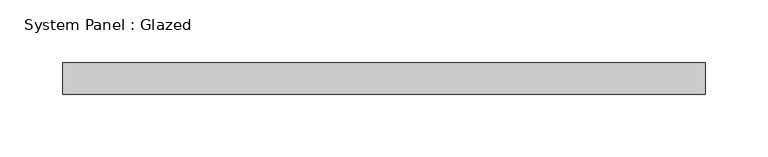
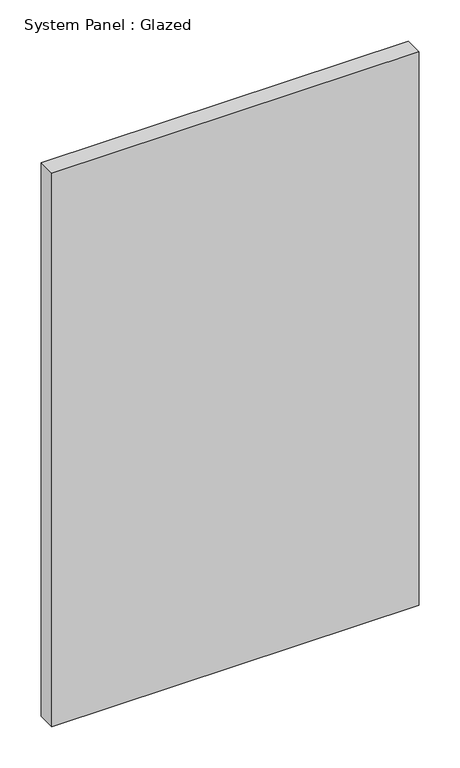
"""IFC4 building model written with IfcOpenShell, lengths in millimetres: plate geometry, System Panel : Glazed."""

import ifcopenshell
import ifcopenshell.guid

model = None  # the IFC model being written
_history = None  # IfcOwnerHistory: only IFC2X3 demands one
_inside = {}  # id of a spatial element -> (the spatial element, [elements in it])
_under = {}  # id of a project, library or spatial element -> (it, [spatial elements below it])
_declared = {}  # id of a project -> (the project, [libraries it declares])
_typed = {}  # id of a type object -> (the type object, [elements of that type])
_made_of = {}  # id of a material, layer set ... -> (it, [elements and type objects made of it])


def new_model(schema):
    """Start an empty IFC model of exactly this schema.

    Asked for "IFC4X3", IfcOpenShell would pick the latest addendum, in which some entities
    have other attributes; the version numbers below select the first issue.
    IFC2X3 requires an IfcOwnerHistory on every rooted entity: one is made here for all.
    """
    global model, _history
    if schema == "IFC4X3":
        model = ifcopenshell.file(schema_version=(4, 3, 0, 0))
    else:
        model = ifcopenshell.file(schema=schema)
    _inside.clear()
    _under.clear()
    _declared.clear()
    _typed.clear()
    _made_of.clear()
    _history = None
    if model.schema == "IFC2X3":
        org = make("IfcOrganization", Name="unknown")
        user = make(
            "IfcPersonAndOrganization",
            ThePerson=make("IfcPerson", FamilyName="unknown"),
            TheOrganization=org,
        )
        app = make(
            "IfcApplication",
            ApplicationDeveloper=org,
            Version="unknown",
            ApplicationFullName="unknown",
            ApplicationIdentifier="unknown",
        )
        _history = make(
            "IfcOwnerHistory",
            OwningUser=user,
            OwningApplication=app,
            ChangeAction="ADDED",
            CreationDate=0,
        )
    return model


def make(cls, **values):
    """One entity of the class cls with the attributes given. An attribute that is None is left unset."""
    return model.create_entity(
        cls, **{name: value for name, value in values.items() if value is not None}
    )


def rooted(cls, **values):
    """An entity with a GlobalId (a new one), such as an element, a storey or a relation."""
    return make(cls, GlobalId=ifcopenshell.guid.new(), OwnerHistory=_history, **values)


def si_unit(unit_type, name, prefix=None):
    """IfcSIUnit, for example si_unit("LENGTHUNIT", "METRE", prefix="MILLI")."""
    return make("IfcSIUnit", UnitType=unit_type, Prefix=prefix, Name=name)


def assignment(units):
    """IfcUnitAssignment: the units of a project."""
    return None if units is None else make("IfcUnitAssignment", Units=units)


def point(xyz):
    """IfcCartesianPoint."""
    return None if xyz is None else make("IfcCartesianPoint", Coordinates=xyz)


def direction(xyz):
    """IfcDirection."""
    return None if xyz is None else make("IfcDirection", DirectionRatios=xyz)


def frame(location, z_axis=None, x_axis=None):
    """IfcAxis2Placement3D, a coordinate frame: its origin and axes. An axis left out is left unset."""
    return make(
        "IfcAxis2Placement3D",
        Location=point(location),
        Axis=direction(z_axis),
        RefDirection=direction(x_axis),
    )


def origin():
    """The frame at (0, 0, 0) with its axes left unset."""
    return frame((0.0, 0.0, 0.0))


def origin_with_axes():
    """The frame at (0, 0, 0) with the z axis (0, 0, 1) and the x axis (1, 0, 0) written out."""
    return frame((0.0, 0.0, 0.0), z_axis=(0.0, 0.0, 1.0), x_axis=(1.0, 0.0, 0.0))


def place(relative_to, where):
    """IfcLocalPlacement: puts the frame where relative to a parent placement (None: the world)."""
    return make(
        "IfcLocalPlacement", PlacementRelTo=relative_to, RelativePlacement=where
    )


def context(
    kind, dimensions, precision=None, world=None, true_north=None, identifier=None
):
    """IfcGeometricRepresentationContext, for example the 3D "Model" context."""
    return make(
        "IfcGeometricRepresentationContext",
        ContextIdentifier=identifier,
        ContextType=kind,
        CoordinateSpaceDimension=dimensions,
        Precision=precision,
        WorldCoordinateSystem=world,
        TrueNorth=true_north,
    )


def project(units=None, contexts=None):
    """IfcProject with its units and contexts."""
    return rooted(
        "IfcProject",
        Name="project",
        RepresentationContexts=contexts,
        UnitsInContext=assignment(units),
    )


def spatial(cls, under=None, at=None, **own):
    """A site, building, storey or space (cls), placed at a placement, below another one or the project."""
    s = rooted(cls, ObjectPlacement=at, **own)
    if under is not None:
        _under.setdefault(under.id(), (under, []))[1].append(s)
    return s


def polyline(points):
    """IfcPolyline through the points."""
    return make("IfcPolyline", Points=[point(p) for p in points])


def outline(outer, holes=None, kind="AREA"):
    """IfcArbitraryClosedProfileDef: a profile drawn as a closed curve; with holes, ...WithVoids."""
    if holes is None:
        return make("IfcArbitraryClosedProfileDef", ProfileType=kind, OuterCurve=outer)
    return make(
        "IfcArbitraryProfileDefWithVoids",
        ProfileType=kind,
        OuterCurve=outer,
        InnerCurves=holes,
    )


def extrude(swept, where, along, depth):
    """IfcExtrudedAreaSolid: the profile swept, set in the frame where, extruded along a direction by depth."""
    return make(
        "IfcExtrudedAreaSolid",
        SweptArea=swept,
        Position=where,
        ExtrudedDirection=direction(along),
        Depth=depth,
    )


def shape(context_of_items, identifier, shape_type, items):
    """IfcShapeRepresentation: the items that make up one representation, for example the "Body"."""
    return make(
        "IfcShapeRepresentation",
        ContextOfItems=context_of_items,
        RepresentationIdentifier=identifier,
        RepresentationType=shape_type,
        Items=items,
    )


def source(mapping_origin, context_of_items, identifier, shape_type, items):
    """IfcRepresentationMap: a shape defined once, which mapped items show again and again."""
    return make(
        "IfcRepresentationMap",
        MappingOrigin=mapping_origin,
        MappedRepresentation=shape(context_of_items, identifier, shape_type, items),
    )


def transform(
    local_origin,
    x_axis=None,
    y_axis=None,
    z_axis=None,
    scale=None,
    scale2=None,
    scale3=None,
    uniform=True,
):
    """IfcCartesianTransformationOperator3D, or its non-uniform kind. x_axis, y_axis, z_axis: its Axis1, 2, 3."""
    if uniform:
        return make(
            "IfcCartesianTransformationOperator3D",
            Axis1=direction(x_axis),
            Axis2=direction(y_axis),
            LocalOrigin=point(local_origin),
            Scale=scale,
            Axis3=direction(z_axis),
        )
    return make(
        "IfcCartesianTransformationOperator3DnonUniform",
        Axis1=direction(x_axis),
        Axis2=direction(y_axis),
        LocalOrigin=point(local_origin),
        Scale=scale,
        Axis3=direction(z_axis),
        Scale2=scale2,
        Scale3=scale3,
    )


def mapped(mapping_source, mapping_target):
    """IfcMappedItem: shows the shape of a source again, moved by a transform."""
    return make(
        "IfcMappedItem", MappingSource=mapping_source, MappingTarget=mapping_target
    )


def made_of(thing, what):
    """Note that an element or type object is made of a material, layer set ...; save() writes the relation."""
    if what is not None:
        _made_of.setdefault(what.id(), (what, []))[1].append(thing)
    return thing


def element(
    cls,
    number,
    at=None,
    inside=None,
    cuts=None,
    type_object=None,
    material=None,
    context=None,
    identifier="Body",
    shape_type=None,
    held_by="IfcProductDefinitionShape",
    body=None,
    shapes=None,
    **own,
):
    """One element of the class cls, such as IfcWall. Its Tag is "e" and its number.

    at: its placement. inside: the storey or other place that contains it. cuts: it is an
    opening in that element (IfcRelVoidsElement). A single representation is given by context,
    identifier, shape_type and body (its items); several are given by shapes. held_by: the class
    of the entity that holds the representations. save() writes the other relations.
    """
    e = rooted(cls, Tag="e%d" % number, ObjectPlacement=at, **own)
    if body is not None:
        shapes = [shape(context, identifier, shape_type, body)]
    if shapes is not None:
        e.Representation = make(held_by, Representations=shapes)
    if inside is not None:
        _inside.setdefault(inside.id(), (inside, []))[1].append(e)
    if cuts is not None:
        rooted(
            "IfcRelVoidsElement", RelatingBuildingElement=cuts, RelatedOpeningElement=e
        )
    if type_object is not None:
        _typed.setdefault(type_object.id(), (type_object, []))[1].append(e)
    return made_of(e, material)


def aggregate(whole, parts):
    """IfcRelAggregates: a whole, such as a stair, and the parts it consists of."""
    return rooted("IfcRelAggregates", RelatingObject=whole, RelatedObjects=parts)


def save(model, path):
    """Write the relations noted so far, then the file.

    IfcRelAggregates (storeys below a building ...), IfcRelContainedInSpatialStructure (elements
    in a storey), IfcRelDefinesByType, IfcRelAssociatesMaterial and IfcRelDeclares: one each for
    every whole, place, type object, material and project.
    """
    for whole, parts in _under.values():
        aggregate(whole, parts)
    for where, things in _inside.values():
        rooted(
            "IfcRelContainedInSpatialStructure",
            RelatedElements=things,
            RelatingStructure=where,
        )
    for kind, things in _typed.values():
        rooted("IfcRelDefinesByType", RelatedObjects=things, RelatingType=kind)
    for what, things in _made_of.values():
        rooted("IfcRelAssociatesMaterial", RelatedObjects=things, RelatingMaterial=what)
    for by, libraries in _declared.values():
        rooted("IfcRelDeclares", RelatingContext=by, RelatedDefinitions=libraries)
    model.write(path)


def system_panel_glazed_82fdfc94(model_context):
    return source(origin(), model_context, "Body", "SweptSolid", [
        extrude(outline(polyline([(257.1750002, 19.05), (-257.1750002, 19.05), (-257.1750002, 44.45), (257.1750002, 44.45), (257.1750002, 19.05)])), origin_with_axes(), (0.0, 0.0, 1.0), 819.15),
    ])


if __name__ == "__main__":
    model = new_model("IFC4")
    model_context = context("Model", 3, world=origin())
    ifc_project = project(units=[si_unit("LENGTHUNIT", "METRE", prefix="MILLI")], contexts=[model_context])
    site = spatial("IfcSite", under=ifc_project)
    building = spatial("IfcBuilding", under=site)
    placement = place(None, origin())
    system_panel_glazed_shape = system_panel_glazed_82fdfc94(model_context)
    element("IfcPlate", 1, ObjectType="System Panel : Glazed", at=placement, inside=building, context=model_context, shape_type="MappedRepresentation", body=[
        mapped(system_panel_glazed_shape, transform((0.0, 0.0, 0.0), x_axis=(1.0, 0.0, 0.0), y_axis=(0.0, 1.0, 0.0), z_axis=(0.0, 0.0, 1.0))),
    ])
    save(model, "model.ifc")
